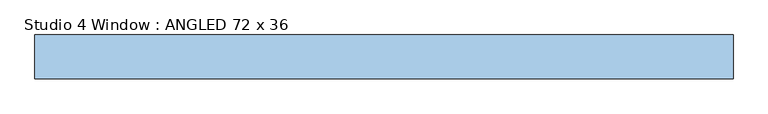
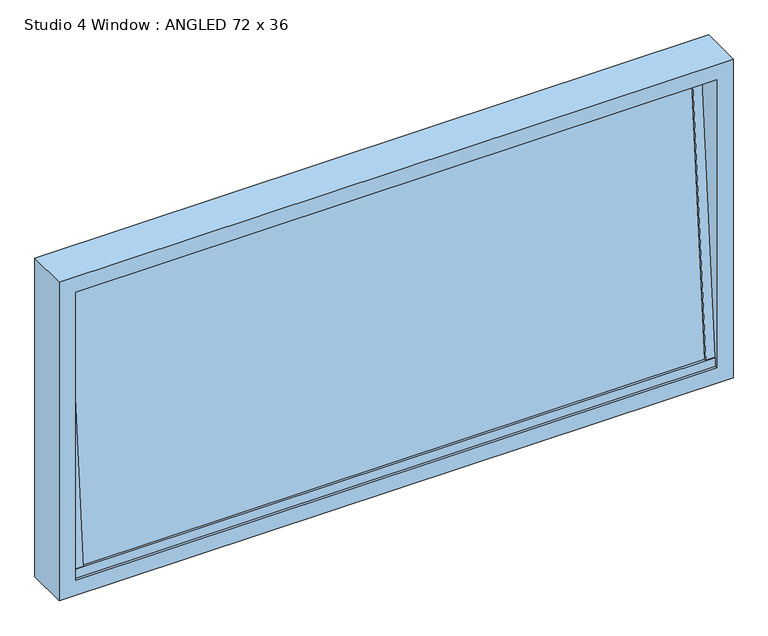
"""IFC4 building model written with IfcOpenShell, lengths in millimetres: window geometry, Studio 4 Window : ANGLED 72 x 36."""

from ifc_helpers import new_model, si_unit, frame, origin, place, context, project, spatial, polyline, outline, extrude, faceted_brep, source, transform, mapped, element, save


def studio_4_window_angled_72_x_36_6f4a3c9b(model_context):
    return source(origin(), model_context, "Body", "SolidModel", [
        extrude(outline(polyline([(-869.95, 17.5), (-844.55, 17.5), (-844.55, -17.5), (-869.95, -17.5), (-869.95, 17.5)])), frame((0.0, 12.7, 863.5), z_axis=(0.0, 0.08038418992031013, 0.9967639550118451), x_axis=(-1.0, 0.0, 0.0)), (0.0, 0.0, 1.0), 789.9563342),
        extrude(outline(polyline([(844.55, -17.5), (844.55, 17.5), (869.95, 17.5), (869.95, -17.5), (844.55, -17.5)])), frame((0.0, 12.7, 863.5), z_axis=(0.0, 0.08038418992031013, 0.9967639550118451), x_axis=(-1.0, 0.0, 0.0)), (0.0, 0.0, 1.0), 789.9563342),
        extrude(outline(polyline([(-869.95, 12.7), (869.95, 12.7), (869.95, -12.7), (-869.95, -12.7), (-869.95, 12.7)])), frame((0.0, 12.7, 863.5), z_axis=(0.0, 0.08038418992031013, 0.9967639550118451), x_axis=(-1.0, 0.0, 0.0)), (0.0, 0.0, 1.0), 789.9563342),
        faceted_brep([(-914.4, -12.7, 800.0), (-914.4, -12.7, 1714.4), (-914.4, 101.6, 1714.4), (-914.4, 101.6, 800.0), (869.95, -6.9025662, 869.8750418), (-869.95, -6.9025662, 869.8750418), (-869.95, -6.9025662, 844.45), (869.95, -6.9025662, 844.45), (869.95, 32.3025662, 869.8750418), (-869.95, 32.3025662, 869.8750418), (869.95, 32.3025662, 844.45), (-869.95, 32.3025662, 844.45), (914.4, -12.7, 1714.4), (914.4, -12.7, 800.0), (914.4, 101.6, 800.0), (914.4, 101.6, 1714.4), (869.95, 95.8025662, 1644.55), (-869.95, 95.8025662, 1644.55), (-869.95, 95.8025662, 1669.95), (869.95, 95.8025662, 1669.95), (869.95, 56.5974338, 1644.55), (-869.95, 56.5974338, 1644.55), (869.95, 56.5974338, 1669.95), (-869.95, 56.5974338, 1669.95), (869.95, -12.7, 1669.95), (869.95, -12.7, 844.45), (-869.95, -12.7, 844.45), (-869.95, -12.7, 1669.95), (869.95, 101.6, 1669.95), (-869.95, 101.6, 1669.95), (-869.95, 101.6, 844.45), (869.95, 101.6, 844.45)], [[[0, 1, 2, 3]], [[4, 5, 6, 7]], [[5, 4, 8, 9]], [[9, 8, 10, 11]], [[12, 13, 14, 15]], [[16, 17, 18, 19]], [[17, 16, 20, 21]], [[21, 20, 22, 23]], [[12, 1, 0, 13], [24, 25, 26, 27]], [[15, 14, 3, 2], [28, 29, 30, 31]], [[13, 0, 3, 14]], [[27, 26, 6, 5, 9, 11, 30, 29, 18, 17, 21, 23]], [[26, 25, 7, 6]], [[31, 30, 11, 10]], [[25, 24, 22, 20, 16, 19, 28, 31, 10, 8, 4, 7]], [[1, 12, 15, 2]], [[24, 27, 23, 22]], [[29, 28, 19, 18]]]),
    ])


if __name__ == "__main__":
    model = new_model("IFC4")
    model_context = context("Model", 3, world=origin())
    ifc_project = project(units=[si_unit("LENGTHUNIT", "METRE", prefix="MILLI")], contexts=[model_context])
    site = spatial("IfcSite", under=ifc_project)
    building = spatial("IfcBuilding", under=site)
    placement = place(None, origin())
    studio_4_window_angled_72_x_36_shape = studio_4_window_angled_72_x_36_6f4a3c9b(model_context)
    element("IfcWindow", 1, ObjectType="Studio 4 Window : ANGLED 72 x 36", at=placement, inside=building, context=model_context, shape_type="MappedRepresentation", body=[
        mapped(studio_4_window_angled_72_x_36_shape, transform((0.0, 0.0, 0.0), x_axis=(1.0, 0.0, 0.0), y_axis=(0.0, 1.0, 0.0), z_axis=(0.0, 0.0, 1.0))),
    ])
    save(model, "model.ifc")
